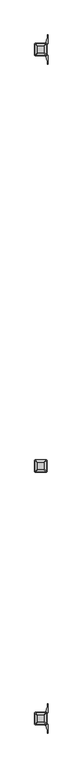
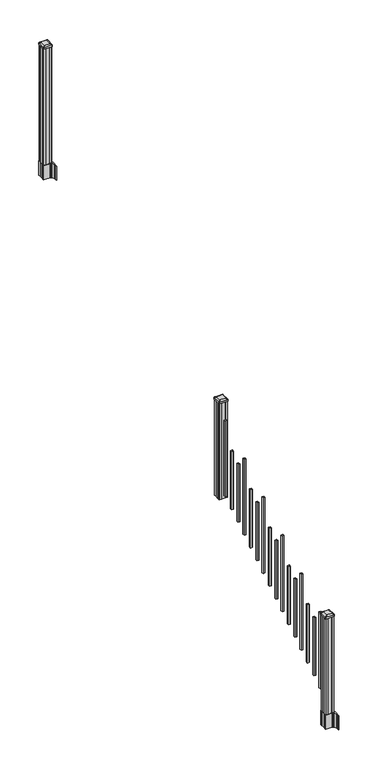
"""IFC4 building model written with IfcOpenShell, lengths in millimetres: railing geometry."""

from ifc_helpers import new_model, si_unit, point, frame, frame_2d, origin, place, context, project, spatial, polyline, circle_curve, trimmed, segment, composite_curve, outline, extrude, source, transform, mapped, element, save
from ifc_brep_helpers import plane_surface, extruded_surface, advanced_brep


def railing_c87e6d29(model_context):
    return source(origin(), model_context, "Body", "SolidModel", [
        advanced_brep(
        [(5966.2626478, -114155.4027203, 2394.709263), (5969.4376478, -114152.2277203, 2394.709263), (5969.4376478, -114100.6339703, 2394.709263), (5966.2626478, -114097.4589703, 2394.709263), (5914.6688978, -114097.4589703, 2394.709263), (5911.4938978, -114100.6339703, 2394.709263), (5911.4938978, -114152.2277203, 2394.709263), (5914.6688978, -114155.4027203, 2394.709263), (5982.5345228, -114171.6745953, 2383.406263), (5898.3970228, -114171.6745953, 2383.406263), (5895.2220228, -114168.4995953, 2383.406263), (5895.2220228, -114084.3620953, 2383.406263), (5898.3970228, -114081.1870953, 2383.406263), (5982.5345228, -114081.1870953, 2383.406263), (5985.7095228, -114084.3620953, 2383.406263), (5985.7095228, -114168.4995953, 2383.406263)],
        [
            (0, 1, circle_curve(frame((5966.2626478, -114152.2277203, 2394.709263), z_axis=(0.0, 0.0, 1.0), x_axis=(0.0, 1.0, 0.0)), 3.175)),
            (1, 2),
            (2, 3, circle_curve(frame((5966.2626478, -114100.6339703, 2394.709263), z_axis=(0.0, 0.0, 1.0), x_axis=(0.0, 1.0, 0.0)), 3.175)),
            (3, 4),
            (4, 5, circle_curve(frame((5914.6688978, -114100.6339703, 2394.709263), z_axis=(0.0, 0.0, 1.0), x_axis=(0.0, 1.0, 0.0)), 3.175)),
            (5, 6),
            (6, 7, circle_curve(frame((5914.6688978, -114152.2277203, 2394.709263), z_axis=(0.0, 0.0, 1.0), x_axis=(0.0, 1.0, 0.0)), 3.175)),
            (7, 0),
            (8, 9),
            (9, 10, circle_curve(frame((5898.3970228, -114168.4995953, 2383.406263), z_axis=(0.0, 0.0, -1.0), x_axis=(0.0, 1.0, 0.0)), 3.175)),
            (10, 11),
            (11, 12, circle_curve(frame((5898.3970228, -114084.3620953, 2383.406263), z_axis=(0.0, 0.0, -1.0), x_axis=(0.0, 1.0, 0.0)), 3.175)),
            (12, 13),
            (13, 14, circle_curve(frame((5982.5345228, -114084.3620953, 2383.406263), z_axis=(0.0, 0.0, -1.0), x_axis=(0.0, 1.0, 0.0)), 3.175)),
            (14, 15),
            (15, 8, circle_curve(frame((5982.5345228, -114168.4995953, 2383.406263), z_axis=(0.0, 0.0, -1.0), x_axis=(0.0, 1.0, 0.0)), 3.175)),
            (15, 1),
            (0, 8),
            (14, 2),
            (13, 3),
            (12, 4),
            (11, 5),
            (10, 6),
            (9, 7),
        ],
        [
            plane_surface(frame((5940.4657728, -114126.4308453, 2394.709263), z_axis=(0.0, 0.0, 1.0), x_axis=(1.0, 0.0, 0.0))),
            plane_surface(frame((5940.4657728, -114126.4308453, 2383.406263), z_axis=(0.0, 0.0, -1.0), x_axis=(1.0, 0.0, 0.0))),
            extruded_surface(trimmed(circle_curve(frame((5982.5345228, -114168.4995953, 2383.406263), z_axis=(0.0, 0.0, 1.0), x_axis=(0.0, 1.0, 0.0)), 3.175), [point((5982.5345228, -114171.6745953, 2383.406263))], [point((5985.7095228, -114168.4995953, 2383.406263))], True, "CARTESIAN"), (-16.271874999999454, 16.27187500000582, 11.303000000000338), 25.63797263886966),
            plane_surface(frame((5985.7095228, -114126.4308453, 2383.406263), z_axis=(0.5705009161540778, 0.0, 0.8212969649690408), x_axis=(0.0, 1.0, 0.0))),
            extruded_surface(trimmed(circle_curve(frame((5982.5345228, -114084.3620953, 2383.406263), z_axis=(0.0, 0.0, 1.0), x_axis=(0.0, 1.0, 0.0)), 3.175), [point((5985.7095228, -114084.3620953, 2383.406263))], [point((5982.5345228, -114081.1870953, 2383.406263))], True, "CARTESIAN"), (-16.271874999999454, -16.27187499999127, 11.303000000000338), 25.637972638860422),
            plane_surface(frame((5940.4657728, -114081.1870953, 2383.406263), z_axis=(0.0, 0.5705009161540291, 0.8212969649690747), x_axis=(-1.0, 0.0, 0.0))),
            extruded_surface(trimmed(circle_curve(frame((5898.3970228, -114084.3620953, 2383.406263), z_axis=(0.0, 0.0, 1.0), x_axis=(0.0, 1.0, 0.0)), 3.175), [point((5898.3970228, -114081.1870953, 2383.406263))], [point((5895.2220228, -114084.3620953, 2383.406263))], True, "CARTESIAN"), (16.271875000000364, -16.27187499999127, 11.303000000000338), 25.637972638861),
            plane_surface(frame((5895.2220228, -114126.4308453, 2383.406263), z_axis=(-0.5705009161540142, 0.0, 0.8212969649690851), x_axis=(0.0, -1.0, 0.0))),
            extruded_surface(trimmed(circle_curve(frame((5898.3970228, -114168.4995953, 2383.406263), z_axis=(0.0, 0.0, 1.0), x_axis=(0.0, 1.0, 0.0)), 3.175), [point((5895.2220228, -114168.4995953, 2383.406263))], [point((5898.3970228, -114171.6745953, 2383.406263))], True, "CARTESIAN"), (16.271875000000364, 16.27187500000582, 11.303000000000338), 25.637972638870238),
            plane_surface(frame((5940.4657728, -114171.6745953, 2383.406263), z_axis=(0.0, -0.570500916154034, 0.8212969649690713), x_axis=(1.0, 0.0, 0.0))),
        ],
        [
            (0, [[1, 2, 3, 4, 5, 6, 7, 8]]),
            (1, [[9, 10, 11, 12, 13, 14, 15, 16]]),
            (2, [[-16, 17, -1, 18]]),
            (3, [[-15, 19, -2, -17]]),
            (4, [[-14, 20, -3, -19]]),
            (5, [[-13, 21, -4, -20]]),
            (6, [[-12, 22, -5, -21]]),
            (7, [[-11, 23, -6, -22]]),
            (8, [[-10, 24, -7, -23]]),
            (9, [[-9, -18, -8, -24]]),
        ],
    ),
        extrude(outline(composite_curve([segment(polyline([(5982.5345228, -114171.6745953), (5898.3970228, -114171.6745953)]), True, "CONTINUOUS"), segment(trimmed(circle_curve(frame_2d((5898.3970228, -114168.4995953)), 3.175), [point((5898.3970228, -114171.6745953))], [point((5895.2220228, -114168.4995953))], False, "CARTESIAN"), True, "CONTINUOUS"), segment(polyline([(5895.2220228, -114168.4995953), (5895.2220228, -114084.3620953)]), True, "CONTINUOUS"), segment(trimmed(circle_curve(frame_2d((5898.3970228, -114084.3620953)), 3.175), [point((5895.2220228, -114084.3620953))], [point((5898.3970228, -114081.1870953))], False, "CARTESIAN"), True, "CONTINUOUS"), segment(polyline([(5898.3970228, -114081.1870953), (5982.5345228, -114081.1870953)]), True, "CONTINUOUS"), segment(trimmed(circle_curve(frame_2d((5982.5345228, -114084.3620953)), 3.175), [point((5982.5345228, -114081.1870953))], [point((5985.7095228, -114084.3620953))], False, "CARTESIAN"), True, "CONTINUOUS"), segment(polyline([(5985.7095228, -114084.3620953), (5985.7095228, -114168.4995953)]), True, "CONTINUOUS"), segment(trimmed(circle_curve(frame_2d((5982.5345228, -114168.4995953)), 3.175), [point((5985.7095228, -114168.4995953))], [point((5982.5345228, -114171.6745953))], False, "CARTESIAN"), True, "CONTINUOUS")], self_intersect=False)), frame((0.0, 0.0, 2366.134263), z_axis=(0.0, 0.0, 1.0), x_axis=(1.0, 0.0, 0.0)), (0.0, 0.0, 1.0), 17.272),
        extrude(outline(polyline([(5980.1532728, -114167.7058453), (5960.5317728, -114167.7058453), (5959.7697728, -114166.1183453), (5921.1617728, -114166.1183453), (5920.3997728, -114167.7058453), (5900.7782728, -114167.7058453), (5899.1907728, -114166.1183453), (5899.1907728, -114146.4968453), (5900.7782728, -114145.7348453), (5900.7782728, -114107.1268453), (5899.1907728, -114106.3648453), (5899.1907728, -114086.7433453), (5900.7782728, -114085.1558453), (5920.3997728, -114085.1558453), (5921.1617728, -114086.7433453), (5959.7697728, -114086.7433453), (5960.5317728, -114085.1558453), (5980.1532728, -114085.1558453), (5981.7407728, -114086.7433453), (5981.7407728, -114106.3648453), (5980.1532728, -114107.1268453), (5980.1532728, -114145.7348453), (5981.7407728, -114146.4968453), (5981.7407728, -114166.1183453), (5980.1532728, -114167.7058453)])), frame((0.0, 0.0, 1334.77), z_axis=(0.0, 0.0, 1.0), x_axis=(1.0, 0.0, 0.0)), (0.0, 0.0, 1.0), 1031.364263),
        extrude(outline(polyline([(5930.9407728, -114216.9818453), (5930.9407728, -114197.9318453), (5949.9907728, -114197.9318453), (5949.9907728, -114216.9818453), (5930.9407728, -114216.9818453)]), holes=[polyline([(5931.3376478, -114216.5849703), (5949.5938978, -114216.5849703), (5949.5938978, -114198.3287203), (5931.3376478, -114198.3287203), (5931.3376478, -114216.5849703)])]), frame((0.0, 0.0, 1385.7246281), z_axis=(0.0, 0.0, 1.0), x_axis=(1.0, 0.0, 0.0)), (0.0, 0.0, 1.0), 812.8041219),
        extrude(outline(polyline([(5930.9407728, -114328.2338453), (5930.9407728, -114309.1838453), (5949.9907728, -114309.1838453), (5949.9907728, -114328.2338453), (5930.9407728, -114328.2338453)]), holes=[polyline([(5931.3376478, -114327.8369703), (5949.5938978, -114327.8369703), (5949.5938978, -114309.5807203), (5931.3376478, -114309.5807203), (5931.3376478, -114327.8369703)])]), frame((0.0, 0.0, 1316.1921281), z_axis=(0.0, 0.0, 1.0), x_axis=(1.0, 0.0, 0.0)), (0.0, 0.0, 1.0), 622.3041219),
        extrude(outline(polyline([(5930.9407728, -114439.4858453), (5930.9407728, -114420.4358453), (5949.9907728, -114420.4358453), (5949.9907728, -114439.4858453), (5930.9407728, -114439.4858453)]), holes=[polyline([(5931.3376478, -114439.0889703), (5949.5938978, -114439.0889703), (5949.5938978, -114420.8327203), (5931.3376478, -114420.8327203), (5931.3376478, -114439.0889703)])]), frame((0.0, 0.0, 1246.6596281), z_axis=(0.0, 0.0, 1.0), x_axis=(1.0, 0.0, 0.0)), (0.0, 0.0, 1.0), 622.3041219),
        extrude(outline(polyline([(5930.9407728, -114550.7378453), (5930.9407728, -114531.6878453), (5949.9907728, -114531.6878453), (5949.9907728, -114550.7378453), (5930.9407728, -114550.7378453)]), holes=[polyline([(5931.3376478, -114550.3409703), (5949.5938978, -114550.3409703), (5949.5938978, -114532.0847203), (5931.3376478, -114532.0847203), (5931.3376478, -114550.3409703)])]), frame((0.0, 0.0, 1177.1271281), z_axis=(0.0, 0.0, 1.0), x_axis=(1.0, 0.0, 0.0)), (0.0, 0.0, 1.0), 812.8041219),
        extrude(outline(polyline([(5930.9407728, -114661.9898453), (5930.9407728, -114642.9398453), (5949.9907728, -114642.9398453), (5949.9907728, -114661.9898453), (5930.9407728, -114661.9898453)]), holes=[polyline([(5931.3376478, -114661.5929703), (5949.5938978, -114661.5929703), (5949.5938978, -114643.3367203), (5931.3376478, -114643.3367203), (5931.3376478, -114661.5929703)])]), frame((0.0, 0.0, 1107.5946281), z_axis=(0.0, 0.0, 1.0), x_axis=(1.0, 0.0, 0.0)), (0.0, 0.0, 1.0), 622.3041219),
        extrude(outline(polyline([(5930.9407728, -114773.2418453), (5930.9407728, -114754.1918453), (5949.9907728, -114754.1918453), (5949.9907728, -114773.2418453), (5930.9407728, -114773.2418453)]), holes=[polyline([(5931.3376478, -114772.8449703), (5949.5938978, -114772.8449703), (5949.5938978, -114754.5887203), (5931.3376478, -114754.5887203), (5931.3376478, -114772.8449703)])]), frame((0.0, 0.0, 1038.0621281), z_axis=(0.0, 0.0, 1.0), x_axis=(1.0, 0.0, 0.0)), (0.0, 0.0, 1.0), 622.3041219),
        extrude(outline(polyline([(5930.9407728, -114884.4938453), (5930.9407728, -114865.4438453), (5949.9907728, -114865.4438453), (5949.9907728, -114884.4938453), (5930.9407728, -114884.4938453)]), holes=[polyline([(5931.3376478, -114884.0969703), (5949.5938978, -114884.0969703), (5949.5938978, -114865.8407203), (5931.3376478, -114865.8407203), (5931.3376478, -114884.0969703)])]), frame((0.0, 0.0, 968.5296281), z_axis=(0.0, 0.0, 1.0), x_axis=(1.0, 0.0, 0.0)), (0.0, 0.0, 1.0), 812.8041219),
        extrude(outline(polyline([(5930.9407728, -114995.7458453), (5930.9407728, -114976.6958453), (5949.9907728, -114976.6958453), (5949.9907728, -114995.7458453), (5930.9407728, -114995.7458453)]), holes=[polyline([(5931.3376478, -114995.3489703), (5949.5938978, -114995.3489703), (5949.5938978, -114977.0927203), (5931.3376478, -114977.0927203), (5931.3376478, -114995.3489703)])]), frame((0.0, 0.0, 898.9971281), z_axis=(0.0, 0.0, 1.0), x_axis=(1.0, 0.0, 0.0)), (0.0, 0.0, 1.0), 622.3041219),
        extrude(outline(polyline([(5930.9407728, -115106.9978453), (5930.9407728, -115087.9478453), (5949.9907728, -115087.9478453), (5949.9907728, -115106.9978453), (5930.9407728, -115106.9978453)]), holes=[polyline([(5931.3376478, -115106.6009703), (5949.5938978, -115106.6009703), (5949.5938978, -115088.3447203), (5931.3376478, -115088.3447203), (5931.3376478, -115106.6009703)])]), frame((0.0, 0.0, 829.4646281), z_axis=(0.0, 0.0, 1.0), x_axis=(1.0, 0.0, 0.0)), (0.0, 0.0, 1.0), 622.3041219),
        extrude(outline(polyline([(5930.9407728, -115218.2498453), (5930.9407728, -115199.1998453), (5949.9907728, -115199.1998453), (5949.9907728, -115218.2498453), (5930.9407728, -115218.2498453)]), holes=[polyline([(5931.3376478, -115217.8529703), (5949.5938978, -115217.8529703), (5949.5938978, -115199.5967203), (5931.3376478, -115199.5967203), (5931.3376478, -115217.8529703)])]), frame((0.0, 0.0, 759.9321281), z_axis=(0.0, 0.0, 1.0), x_axis=(1.0, 0.0, 0.0)), (0.0, 0.0, 1.0), 812.8041219),
        extrude(outline(polyline([(5930.9407728, -115329.5018453), (5930.9407728, -115310.4518453), (5949.9907728, -115310.4518453), (5949.9907728, -115329.5018453), (5930.9407728, -115329.5018453)]), holes=[polyline([(5931.3376478, -115329.1049703), (5949.5938978, -115329.1049703), (5949.5938978, -115310.8487203), (5931.3376478, -115310.8487203), (5931.3376478, -115329.1049703)])]), frame((0.0, 0.0, 690.3996281), z_axis=(0.0, 0.0, 1.0), x_axis=(1.0, 0.0, 0.0)), (0.0, 0.0, 1.0), 622.3041219),
        extrude(outline(polyline([(5930.9407728, -115440.7538453), (5930.9407728, -115421.7038453), (5949.9907728, -115421.7038453), (5949.9907728, -115440.7538453), (5930.9407728, -115440.7538453)]), holes=[polyline([(5931.3376478, -115440.3569703), (5949.5938978, -115440.3569703), (5949.5938978, -115422.1007203), (5931.3376478, -115422.1007203), (5931.3376478, -115440.3569703)])]), frame((0.0, 0.0, 620.8671281), z_axis=(0.0, 0.0, 1.0), x_axis=(1.0, 0.0, 0.0)), (0.0, 0.0, 1.0), 622.3041219),
        extrude(outline(polyline([(5930.9407728, -115552.0058453), (5930.9407728, -115532.9558453), (5949.9907728, -115532.9558453), (5949.9907728, -115552.0058453), (5930.9407728, -115552.0058453)]), holes=[polyline([(5931.3376478, -115551.6089703), (5949.5938978, -115551.6089703), (5949.5938978, -115533.3527203), (5931.3376478, -115533.3527203), (5931.3376478, -115551.6089703)])]), frame((0.0, 0.0, 551.3346281), z_axis=(0.0, 0.0, 1.0), x_axis=(1.0, 0.0, 0.0)), (0.0, 0.0, 1.0), 812.8041219),
        extrude(outline(polyline([(5930.9407728, -115663.2578453), (5930.9407728, -115644.2078453), (5949.9907728, -115644.2078453), (5949.9907728, -115663.2578453), (5930.9407728, -115663.2578453)]), holes=[polyline([(5931.3376478, -115662.8609703), (5949.5938978, -115662.8609703), (5949.5938978, -115644.6047203), (5931.3376478, -115644.6047203), (5931.3376478, -115662.8609703)])]), frame((0.0, 0.0, 481.8021281), z_axis=(0.0, 0.0, 1.0), x_axis=(1.0, 0.0, 0.0)), (0.0, 0.0, 1.0), 622.3041219),
        extrude(outline(polyline([(5930.9407728, -115774.5098453), (5930.9407728, -115755.4598453), (5949.9907728, -115755.4598453), (5949.9907728, -115774.5098453), (5930.9407728, -115774.5098453)]), holes=[polyline([(5931.3376478, -115774.1129703), (5949.5938978, -115774.1129703), (5949.5938978, -115755.8567203), (5931.3376478, -115755.8567203), (5931.3376478, -115774.1129703)])]), frame((0.0, 0.0, 412.2696281), z_axis=(0.0, 0.0, 1.0), x_axis=(1.0, 0.0, 0.0)), (0.0, 0.0, 1.0), 622.3041219),
        extrude(outline(polyline([(5930.9407728, -115885.7618453), (5930.9407728, -115866.7118453), (5949.9907728, -115866.7118453), (5949.9907728, -115885.7618453), (5930.9407728, -115885.7618453)]), holes=[polyline([(5931.3376478, -115885.3649703), (5949.5938978, -115885.3649703), (5949.5938978, -115867.1087203), (5931.3376478, -115867.1087203), (5931.3376478, -115885.3649703)])]), frame((0.0, 0.0, 342.7371281), z_axis=(0.0, 0.0, 1.0), x_axis=(1.0, 0.0, 0.0)), (0.0, 0.0, 1.0), 812.8041219),
        extrude(outline(polyline([(5980.1532728, -111080.3358453), (5960.5317728, -111080.3358453), (5959.7697728, -111078.7483453), (5921.1617728, -111078.7483453), (5920.3997728, -111080.3358453), (5900.7782728, -111080.3358453), (5899.1907728, -111078.7483453), (5899.1907728, -111059.1268453), (5900.7782728, -111058.3648453), (5900.7782728, -111019.7568453), (5899.1907728, -111018.9948453), (5899.1907728, -110999.3733453), (5900.7782728, -110997.7858453), (5920.3997728, -110997.7858453), (5921.1617728, -110999.3733453), (5959.7697728, -110999.3733453), (5960.5317728, -110997.7858453), (5980.1532728, -110997.7858453), (5981.7407728, -110999.3733453), (5981.7407728, -111018.9948453), (5980.1532728, -111019.7568453), (5980.1532728, -111058.3648453), (5981.7407728, -111059.1268453), (5981.7407728, -111078.7483453), (5980.1532728, -111080.3358453)])), frame((0.0, 0.0, 3048.0), z_axis=(0.0, 0.0, 1.0), x_axis=(1.0, 0.0, 0.0)), (0.0, 0.0, 1.0), 1247.740513),
        extrude(outline(composite_curve([segment(polyline([(5897.7302728, -111056.4469401), (5897.7302728, -111021.6747504), (5896.1427728, -111020.9127504), (5896.1427728, -110998.1108224), (5899.5157498, -110994.7378453), (5960.9754206, -110994.7378453), (5960.9754206, -110993.8170953), (5966.2929645, -110993.8170953), (5966.2929645, -110992.3628406), (5971.3774942, -110992.3628406), (5971.3774942, -110991.0788168), (5973.0447665, -110991.0788168)]), True, "CONTINUOUS"), segment(trimmed(circle_curve(frame_2d((5973.0447665, -110984.0193569)), 7.0594599), [point((5973.0447665, -110991.0788168))], [point((5979.8120293, -110986.0293636))], True, "CARTESIAN"), True, "CONTINUOUS"), segment(polyline([(5979.8120293, -110986.0293636), (5987.6862236, -110959.5186345)]), True, "CONTINUOUS"), segment(trimmed(circle_curve(frame_2d((5932.9017103, -110943.2465848)), 57.15), [point((5987.6862236, -110959.5186345))], [point((5990.0517103, -110943.2465848))], True, "CARTESIAN"), True, "CONTINUOUS"), segment(polyline([(5990.0517103, -110943.2465848), (5990.0517103, -110931.2378453), (5993.0517103, -110931.2378453), (5993.0517103, -110996.3253453), (5984.7887728, -111007.6636366), (5984.7887728, -111020.9127504), (5983.2012728, -111021.6747504), (5983.2012728, -111056.4469401), (5984.7887728, -111057.2089401), (5984.7887728, -111070.458054), (5993.0517103, -111081.7963453), (5993.0517103, -111146.8838453), (5990.0517103, -111146.8838453), (5990.0517103, -111134.8751057)]), True, "CONTINUOUS"), segment(trimmed(circle_curve(frame_2d((5932.9017103, -111134.8751057)), 57.15), [point((5990.0517103, -111134.8751057))], [point((5987.6862236, -111118.6030561))], True, "CARTESIAN"), True, "CONTINUOUS"), segment(polyline([(5987.6862236, -111118.6030561), (5979.8120293, -111092.092327)]), True, "CONTINUOUS"), segment(trimmed(circle_curve(frame_2d((5973.0447665, -111094.1023337)), 7.0594599), [point((5979.8120293, -111092.092327))], [point((5973.0447665, -111087.0428738))], True, "CARTESIAN"), True, "CONTINUOUS"), segment(polyline([(5973.0447665, -111087.0428738), (5971.3774942, -111087.0428738), (5971.3774942, -111085.75885), (5966.2929645, -111085.75885), (5966.2929645, -111084.3045953), (5960.9754206, -111084.3045953), (5960.9754206, -111083.3838453), (5899.5157498, -111083.3838453), (5896.1427728, -111080.0108682), (5896.1427728, -111057.2089401), (5897.7302728, -111056.4469401)]), True, "CONTINUOUS")], self_intersect=False), holes=[polyline([(5981.7407728, -110999.3733453), (5980.1532728, -110997.7858453), (5943.2289902, -110997.7858453), (5900.7782728, -110997.7858453), (5899.1907728, -110999.3733453), (5899.1907728, -111078.7483453), (5900.7782728, -111080.3358453), (5943.2289902, -111080.3358453), (5980.1532728, -111080.3358453), (5981.7407728, -111078.7483453), (5981.7407728, -110999.3733453)])]), frame((0.0, 0.0, 2895.6), z_axis=(0.0, 0.0, 1.0), x_axis=(1.0, 0.0, 0.0)), (0.0, 0.0, 1.0), 152.4),
        advanced_brep(
        [(5966.2626478, -111068.0327203, 4324.315513), (5969.4376478, -111064.8577203, 4324.315513), (5969.4376478, -111013.2639703, 4324.315513), (5966.2626478, -111010.0889703, 4324.315513), (5914.6688978, -111010.0889703, 4324.315513), (5911.4938978, -111013.2639703, 4324.315513), (5911.4938978, -111064.8577203, 4324.315513), (5914.6688978, -111068.0327203, 4324.315513), (5982.5345228, -111084.3045953, 4313.012513), (5898.3970228, -111084.3045953, 4313.012513), (5895.2220228, -111081.1295953, 4313.012513), (5895.2220228, -110996.9920953, 4313.012513), (5898.3970228, -110993.8170953, 4313.012513), (5982.5345228, -110993.8170953, 4313.012513), (5985.7095228, -110996.9920953, 4313.012513), (5985.7095228, -111081.1295953, 4313.012513)],
        [
            (0, 1, circle_curve(frame((5966.2626478, -111064.8577203, 4324.315513), z_axis=(0.0, 0.0, 1.0), x_axis=(0.0, 1.0, 0.0)), 3.175)),
            (1, 2),
            (2, 3, circle_curve(frame((5966.2626478, -111013.2639703, 4324.315513), z_axis=(0.0, 0.0, 1.0), x_axis=(0.0, 1.0, 0.0)), 3.175)),
            (3, 4),
            (4, 5, circle_curve(frame((5914.6688978, -111013.2639703, 4324.315513), z_axis=(0.0, 0.0, 1.0), x_axis=(0.0, 1.0, 0.0)), 3.175)),
            (5, 6),
            (6, 7, circle_curve(frame((5914.6688978, -111064.8577203, 4324.315513), z_axis=(0.0, 0.0, 1.0), x_axis=(0.0, 1.0, 0.0)), 3.175)),
            (7, 0),
            (8, 9),
            (9, 10, circle_curve(frame((5898.3970228, -111081.1295953, 4313.012513), z_axis=(0.0, 0.0, -1.0), x_axis=(0.0, 1.0, 0.0)), 3.175)),
            (10, 11),
            (11, 12, circle_curve(frame((5898.3970228, -110996.9920953, 4313.012513), z_axis=(0.0, 0.0, -1.0), x_axis=(0.0, 1.0, 0.0)), 3.175)),
            (12, 13),
            (13, 14, circle_curve(frame((5982.5345228, -110996.9920953, 4313.012513), z_axis=(0.0, 0.0, -1.0), x_axis=(0.0, 1.0, 0.0)), 3.175)),
            (14, 15),
            (15, 8, circle_curve(frame((5982.5345228, -111081.1295953, 4313.012513), z_axis=(0.0, 0.0, -1.0), x_axis=(0.0, 1.0, 0.0)), 3.175)),
            (15, 1),
            (0, 8),
            (14, 2),
            (13, 3),
            (12, 4),
            (11, 5),
            (10, 6),
            (9, 7),
        ],
        [
            plane_surface(frame((5940.4657728, -111039.0608453, 4324.315513), z_axis=(0.0, 0.0, 1.0), x_axis=(1.0, 0.0, 0.0))),
            plane_surface(frame((5940.4657728, -111039.0608453, 4313.012513), z_axis=(0.0, 0.0, -1.0), x_axis=(1.0, 0.0, 0.0))),
            extruded_surface(trimmed(circle_curve(frame((5982.5345228, -111081.1295953, 4313.012513), z_axis=(0.0, 0.0, 1.0), x_axis=(0.0, 1.0, 0.0)), 3.175), [point((5982.5345228, -111084.3045953, 4313.012513))], [point((5985.7095228, -111081.1295953, 4313.012513))], True, "CARTESIAN"), (-16.271874999999454, 16.27187499999127, 11.302999999999884), 25.637972638860223),
            plane_surface(frame((5985.7095228, -111039.0608453, 4313.012513), z_axis=(0.5705009161540687, 0.0, 0.8212969649690472), x_axis=(0.0, 1.0, 0.0))),
            extruded_surface(trimmed(circle_curve(frame((5982.5345228, -110996.9920953, 4313.012513), z_axis=(0.0, 0.0, 1.0), x_axis=(0.0, 1.0, 0.0)), 3.175), [point((5985.7095228, -110996.9920953, 4313.012513))], [point((5982.5345228, -110993.8170953, 4313.012513))], True, "CARTESIAN"), (-16.271874999999454, -16.27187500000582, 11.302999999999884), 25.63797263886946),
            plane_surface(frame((5940.4657728, -110993.8170953, 4313.012513), z_axis=(0.0, 0.5705009161540291, 0.8212969649690747), x_axis=(-1.0, 0.0, 0.0))),
            extruded_surface(trimmed(circle_curve(frame((5898.3970228, -110996.9920953, 4313.012513), z_axis=(0.0, 0.0, 1.0), x_axis=(0.0, 1.0, 0.0)), 3.175), [point((5898.3970228, -110993.8170953, 4313.012513))], [point((5895.2220228, -110996.9920953, 4313.012513))], True, "CARTESIAN"), (16.271875000000364, -16.27187500000582, 11.302999999999884), 25.637972638870036),
            plane_surface(frame((5895.2220228, -111039.0608453, 4313.012513), z_axis=(-0.5705009161540233, 0.0, 0.8212969649690787), x_axis=(0.0, -1.0, 0.0))),
            extruded_surface(trimmed(circle_curve(frame((5898.3970228, -111081.1295953, 4313.012513), z_axis=(0.0, 0.0, 1.0), x_axis=(0.0, 1.0, 0.0)), 3.175), [point((5895.2220228, -111081.1295953, 4313.012513))], [point((5898.3970228, -111084.3045953, 4313.012513))], True, "CARTESIAN"), (16.271875000000364, 16.27187499999127, 11.302999999999884), 25.637972638860802),
            plane_surface(frame((5940.4657728, -111084.3045953, 4313.012513), z_axis=(0.0, -0.570500916154034, 0.8212969649690713), x_axis=(1.0, 0.0, 0.0))),
        ],
        [
            (0, [[1, 2, 3, 4, 5, 6, 7, 8]]),
            (1, [[9, 10, 11, 12, 13, 14, 15, 16]]),
            (2, [[-16, 17, -1, 18]]),
            (3, [[-15, 19, -2, -17]]),
            (4, [[-14, 20, -3, -19]]),
            (5, [[-13, 21, -4, -20]]),
            (6, [[-12, 22, -5, -21]]),
            (7, [[-11, 23, -6, -22]]),
            (8, [[-10, 24, -7, -23]]),
            (9, [[-9, -18, -8, -24]]),
        ],
    ),
        extrude(outline(composite_curve([segment(polyline([(5982.5345228, -111084.3045953), (5898.3970228, -111084.3045953)]), True, "CONTINUOUS"), segment(trimmed(circle_curve(frame_2d((5898.3970228, -111081.1295953)), 3.175), [point((5898.3970228, -111084.3045953))], [point((5895.2220228, -111081.1295953))], False, "CARTESIAN"), True, "CONTINUOUS"), segment(polyline([(5895.2220228, -111081.1295953), (5895.2220228, -110996.9920953)]), True, "CONTINUOUS"), segment(trimmed(circle_curve(frame_2d((5898.3970228, -110996.9920953)), 3.175), [point((5895.2220228, -110996.9920953))], [point((5898.3970228, -110993.8170953))], False, "CARTESIAN"), True, "CONTINUOUS"), segment(polyline([(5898.3970228, -110993.8170953), (5982.5345228, -110993.8170953)]), True, "CONTINUOUS"), segment(trimmed(circle_curve(frame_2d((5982.5345228, -110996.9920953)), 3.175), [point((5982.5345228, -110993.8170953))], [point((5985.7095228, -110996.9920953))], False, "CARTESIAN"), True, "CONTINUOUS"), segment(polyline([(5985.7095228, -110996.9920953), (5985.7095228, -111081.1295953)]), True, "CONTINUOUS"), segment(trimmed(circle_curve(frame_2d((5982.5345228, -111081.1295953)), 3.175), [point((5985.7095228, -111081.1295953))], [point((5982.5345228, -111084.3045953))], False, "CARTESIAN"), True, "CONTINUOUS")], self_intersect=False)), frame((0.0, 0.0, 4295.740513), z_axis=(0.0, 0.0, 1.0), x_axis=(1.0, 0.0, 0.0)), (0.0, 0.0, 1.0), 17.272),
        extrude(outline(composite_curve([segment(polyline([(5897.7302728, -116016.0509401), (5897.7302728, -115981.2787504), (5896.1427728, -115980.5167504), (5896.1427728, -115957.7148224), (5899.5157498, -115954.3418453), (5960.9754206, -115954.3418453), (5960.9754206, -115953.4210953), (5966.2929645, -115953.4210953), (5966.2929645, -115951.9668406), (5971.3774942, -115951.9668406), (5971.3774942, -115950.6828168), (5973.0447665, -115950.6828168)]), True, "CONTINUOUS"), segment(trimmed(circle_curve(frame_2d((5973.0447665, -115943.6233569)), 7.0594599), [point((5973.0447665, -115950.6828168))], [point((5979.8120293, -115945.6333636))], True, "CARTESIAN"), True, "CONTINUOUS"), segment(polyline([(5979.8120293, -115945.6333636), (5987.6862236, -115919.1226345)]), True, "CONTINUOUS"), segment(trimmed(circle_curve(frame_2d((5932.9017103, -115902.8505848)), 57.15), [point((5987.6862236, -115919.1226345))], [point((5990.0517103, -115902.8505848))], True, "CARTESIAN"), True, "CONTINUOUS"), segment(polyline([(5990.0517103, -115902.8505848), (5990.0517103, -115890.8418453), (5993.0517103, -115890.8418453), (5993.0517103, -115955.9293453), (5984.7887728, -115967.2676366), (5984.7887728, -115980.5167504), (5983.2012728, -115981.2787504), (5983.2012728, -116016.0509401), (5984.7887728, -116016.8129401), (5984.7887728, -116030.062054), (5993.0517103, -116041.4003453), (5993.0517103, -116106.4878453), (5990.0517103, -116106.4878453), (5990.0517103, -116094.4791057)]), True, "CONTINUOUS"), segment(trimmed(circle_curve(frame_2d((5932.9017103, -116094.4791057)), 57.15), [point((5990.0517103, -116094.4791057))], [point((5987.6862236, -116078.2070561))], True, "CARTESIAN"), True, "CONTINUOUS"), segment(polyline([(5987.6862236, -116078.2070561), (5979.8120293, -116051.696327)]), True, "CONTINUOUS"), segment(trimmed(circle_curve(frame_2d((5973.0447665, -116053.7063337)), 7.0594599), [point((5979.8120293, -116051.696327))], [point((5973.0447665, -116046.6468738))], True, "CARTESIAN"), True, "CONTINUOUS"), segment(polyline([(5973.0447665, -116046.6468738), (5971.3774942, -116046.6468738), (5971.3774942, -116045.36285), (5966.2929645, -116045.36285), (5966.2929645, -116043.9085953), (5960.9754206, -116043.9085953), (5960.9754206, -116042.9878453), (5899.5157498, -116042.9878453), (5896.1427728, -116039.6148682), (5896.1427728, -116016.8129401), (5897.7302728, -116016.0509401)]), True, "CONTINUOUS")], self_intersect=False), holes=[polyline([(5981.7407728, -115958.9773453), (5980.1532728, -115957.3898453), (5943.2289902, -115957.3898453), (5900.7782728, -115957.3898453), (5899.1907728, -115958.9773453), (5899.1907728, -116038.3523453), (5900.7782728, -116039.9398453), (5943.2289902, -116039.9398453), (5980.1532728, -116039.9398453), (5981.7407728, -116038.3523453), (5981.7407728, -115958.9773453)])]), frame((0.0, 0.0, 12.22375), z_axis=(0.0, 0.0, 1.0), x_axis=(1.0, 0.0, 0.0)), (0.0, 0.0, 1.0), 152.4),
        advanced_brep(
        [(5966.2626478, -116027.6367203, 1224.563013), (5969.4376478, -116024.4617203, 1224.563013), (5969.4376478, -115972.8679703, 1224.563013), (5966.2626478, -115969.6929703, 1224.563013), (5914.6688978, -115969.6929703, 1224.563013), (5911.4938978, -115972.8679703, 1224.563013), (5911.4938978, -116024.4617203, 1224.563013), (5914.6688978, -116027.6367203, 1224.563013), (5982.5345228, -116043.9085953, 1213.260013), (5898.3970228, -116043.9085953, 1213.260013), (5895.2220228, -116040.7335953, 1213.260013), (5895.2220228, -115956.5960953, 1213.260013), (5898.3970228, -115953.4210953, 1213.260013), (5982.5345228, -115953.4210953, 1213.260013), (5985.7095228, -115956.5960953, 1213.260013), (5985.7095228, -116040.7335953, 1213.260013)],
        [
            (0, 1, circle_curve(frame((5966.2626478, -116024.4617203, 1224.563013), z_axis=(0.0, 0.0, 1.0), x_axis=(0.0, 1.0, 0.0)), 3.175)),
            (1, 2),
            (2, 3, circle_curve(frame((5966.2626478, -115972.8679703, 1224.563013), z_axis=(0.0, 0.0, 1.0), x_axis=(0.0, 1.0, 0.0)), 3.175)),
            (3, 4),
            (4, 5, circle_curve(frame((5914.6688978, -115972.8679703, 1224.563013), z_axis=(0.0, 0.0, 1.0), x_axis=(0.0, 1.0, 0.0)), 3.175)),
            (5, 6),
            (6, 7, circle_curve(frame((5914.6688978, -116024.4617203, 1224.563013), z_axis=(0.0, 0.0, 1.0), x_axis=(0.0, 1.0, 0.0)), 3.175)),
            (7, 0),
            (8, 9),
            (9, 10, circle_curve(frame((5898.3970228, -116040.7335953, 1213.260013), z_axis=(0.0, 0.0, -1.0), x_axis=(0.0, 1.0, 0.0)), 3.175)),
            (10, 11),
            (11, 12, circle_curve(frame((5898.3970228, -115956.5960953, 1213.260013), z_axis=(0.0, 0.0, -1.0), x_axis=(0.0, 1.0, 0.0)), 3.175)),
            (12, 13),
            (13, 14, circle_curve(frame((5982.5345228, -115956.5960953, 1213.260013), z_axis=(0.0, 0.0, -1.0), x_axis=(0.0, 1.0, 0.0)), 3.175)),
            (14, 15),
            (15, 8, circle_curve(frame((5982.5345228, -116040.7335953, 1213.260013), z_axis=(0.0, 0.0, -1.0), x_axis=(0.0, 1.0, 0.0)), 3.175)),
            (15, 1),
            (0, 8),
            (14, 2),
            (13, 3),
            (12, 4),
            (11, 5),
            (10, 6),
            (9, 7),
        ],
        [
            plane_surface(frame((5940.4657728, -115998.6648453, 1224.563013), z_axis=(0.0, 0.0, 1.0), x_axis=(1.0, 0.0, 0.0))),
            plane_surface(frame((5940.4657728, -115998.6648453, 1213.260013), z_axis=(0.0, 0.0, -1.0), x_axis=(1.0, 0.0, 0.0))),
            extruded_surface(trimmed(circle_curve(frame((5982.5345228, -116040.7335953, 1213.260013), z_axis=(0.0, 0.0, 1.0), x_axis=(0.0, 1.0, 0.0)), 3.175), [point((5982.5345228, -116043.9085953, 1213.260013))], [point((5985.7095228, -116040.7335953, 1213.260013))], True, "CARTESIAN"), (-16.271874999999454, 16.27187500000582, 11.302999999999884), 25.63797263886946),
            plane_surface(frame((5985.7095228, -115998.6648453, 1213.260013), z_axis=(0.5705009161540778, 0.0, 0.8212969649690408), x_axis=(0.0, 1.0, 0.0))),
            extruded_surface(trimmed(circle_curve(frame((5982.5345228, -115956.5960953, 1213.260013), z_axis=(0.0, 0.0, 1.0), x_axis=(0.0, 1.0, 0.0)), 3.175), [point((5985.7095228, -115956.5960953, 1213.260013))], [point((5982.5345228, -115953.4210953, 1213.260013))], True, "CARTESIAN"), (-16.271874999999454, -16.27187499999127, 11.302999999999884), 25.637972638860223),
            plane_surface(frame((5940.4657728, -115953.4210953, 1213.260013), z_axis=(0.0, 0.5705009161540291, 0.8212969649690747), x_axis=(-1.0, 0.0, 0.0))),
            extruded_surface(trimmed(circle_curve(frame((5898.3970228, -115956.5960953, 1213.260013), z_axis=(0.0, 0.0, 1.0), x_axis=(0.0, 1.0, 0.0)), 3.175), [point((5898.3970228, -115953.4210953, 1213.260013))], [point((5895.2220228, -115956.5960953, 1213.260013))], True, "CARTESIAN"), (16.271875000000364, -16.27187499999127, 11.302999999999884), 25.637972638860802),
            plane_surface(frame((5895.2220228, -115998.6648453, 1213.260013), z_axis=(-0.5705009161540142, 0.0, 0.8212969649690851), x_axis=(0.0, -1.0, 0.0))),
            extruded_surface(trimmed(circle_curve(frame((5898.3970228, -116040.7335953, 1213.260013), z_axis=(0.0, 0.0, 1.0), x_axis=(0.0, 1.0, 0.0)), 3.175), [point((5895.2220228, -116040.7335953, 1213.260013))], [point((5898.3970228, -116043.9085953, 1213.260013))], True, "CARTESIAN"), (16.271875000000364, 16.27187500000582, 11.302999999999884), 25.637972638870036),
            plane_surface(frame((5940.4657728, -116043.9085953, 1213.260013), z_axis=(0.0, -0.570500916154034, 0.8212969649690713), x_axis=(1.0, 0.0, 0.0))),
        ],
        [
            (0, [[1, 2, 3, 4, 5, 6, 7, 8]]),
            (1, [[9, 10, 11, 12, 13, 14, 15, 16]]),
            (2, [[-16, 17, -1, 18]]),
            (3, [[-15, 19, -2, -17]]),
            (4, [[-14, 20, -3, -19]]),
            (5, [[-13, 21, -4, -20]]),
            (6, [[-12, 22, -5, -21]]),
            (7, [[-11, 23, -6, -22]]),
            (8, [[-10, 24, -7, -23]]),
            (9, [[-9, -18, -8, -24]]),
        ],
    ),
        extrude(outline(composite_curve([segment(polyline([(5982.5345228, -116043.9085953), (5898.3970228, -116043.9085953)]), True, "CONTINUOUS"), segment(trimmed(circle_curve(frame_2d((5898.3970228, -116040.7335953)), 3.175), [point((5898.3970228, -116043.9085953))], [point((5895.2220228, -116040.7335953))], False, "CARTESIAN"), True, "CONTINUOUS"), segment(polyline([(5895.2220228, -116040.7335953), (5895.2220228, -115956.5960953)]), True, "CONTINUOUS"), segment(trimmed(circle_curve(frame_2d((5898.3970228, -115956.5960953)), 3.175), [point((5895.2220228, -115956.5960953))], [point((5898.3970228, -115953.4210953))], False, "CARTESIAN"), True, "CONTINUOUS"), segment(polyline([(5898.3970228, -115953.4210953), (5982.5345228, -115953.4210953)]), True, "CONTINUOUS"), segment(trimmed(circle_curve(frame_2d((5982.5345228, -115956.5960953)), 3.175), [point((5982.5345228, -115953.4210953))], [point((5985.7095228, -115956.5960953))], False, "CARTESIAN"), True, "CONTINUOUS"), segment(polyline([(5985.7095228, -115956.5960953), (5985.7095228, -116040.7335953)]), True, "CONTINUOUS"), segment(trimmed(circle_curve(frame_2d((5982.5345228, -116040.7335953)), 3.175), [point((5985.7095228, -116040.7335953))], [point((5982.5345228, -116043.9085953))], False, "CARTESIAN"), True, "CONTINUOUS")], self_intersect=False)), frame((0.0, 0.0, 1195.988013), z_axis=(0.0, 0.0, 1.0), x_axis=(1.0, 0.0, 0.0)), (0.0, 0.0, 1.0), 17.272),
        extrude(outline(polyline([(5980.1532728, -116039.9398453), (5960.5317728, -116039.9398453), (5959.7697728, -116038.3523453), (5921.1617728, -116038.3523453), (5920.3997728, -116039.9398453), (5900.7782728, -116039.9398453), (5899.1907728, -116038.3523453), (5899.1907728, -116018.7308453), (5900.7782728, -116017.9688453), (5900.7782728, -115979.3608453), (5899.1907728, -115978.5988453), (5899.1907728, -115958.9773453), (5900.7782728, -115957.3898453), (5920.3997728, -115957.3898453), (5921.1617728, -115958.9773453), (5959.7697728, -115958.9773453), (5960.5317728, -115957.3898453), (5980.1532728, -115957.3898453), (5981.7407728, -115958.9773453), (5981.7407728, -115978.5988453), (5980.1532728, -115979.3608453), (5980.1532728, -116017.9688453), (5981.7407728, -116018.7308453), (5981.7407728, -116038.3523453), (5980.1532728, -116039.9398453)])), frame((0.0, 0.0, 164.62375), z_axis=(0.0, 0.0, 1.0), x_axis=(1.0, 0.0, 0.0)), (0.0, 0.0, 1.0), 1031.364263),
    ])


if __name__ == "__main__":
    model = new_model("IFC4")
    model_context = context("Model", 3, world=origin())
    ifc_project = project(units=[si_unit("LENGTHUNIT", "METRE", prefix="MILLI")], contexts=[model_context])
    site = spatial("IfcSite", under=ifc_project)
    building = spatial("IfcBuilding", under=site)
    placement = place(None, origin())
    railing_shape = railing_c87e6d29(model_context)
    element("IfcRailing", 1, at=placement, inside=building, context=model_context, shape_type="MappedRepresentation", body=[
        mapped(railing_shape, transform((0.0, 0.0, 0.0), x_axis=(1.0, 0.0, 0.0), y_axis=(0.0, 1.0, 0.0), z_axis=(0.0, 0.0, 1.0))),
    ])
    save(model, "model.ifc")
